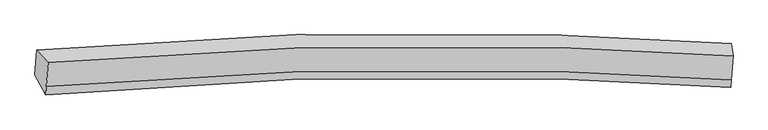
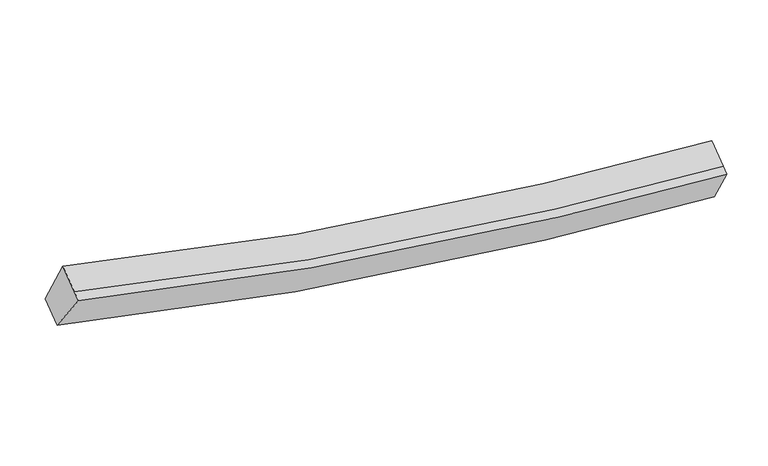
"""IFC4 building model written with IfcOpenShell, lengths in millimetres: proxy geometry."""

from ifc_helpers import new_model, si_unit, frame, origin, place, context, project, spatial, source, transform, mapped, element, save
from ifc_brep_helpers import plane_surface, spline_curve, spline_surface, advanced_brep


def generic_models_cb35257e(model_context):
    return source(origin(), model_context, "Body", "AdvancedBrep", [
        advanced_brep(
        [(-6298.5799001, -1838.1536761, 4025.5636427), (-6111.1481114, -2044.4059799, 4684.3642386), (5221.329868, -1936.7661415, 2957.5659796), (5191.2727827, -1728.3892658, 2273.9253118), (-6140.1426583, -2441.8530381, 4466.675132), (5192.4190728, -2333.0651622, 2740.5056744), (-6150.3590829, -2581.8961958, 4389.9709037), (5183.4797013, -2455.6029253, 2673.3894746), (-6328.3871914, -2246.7415496, 3801.7725054), (5162.8262961, -2118.3237072, 2060.3510044)],
        [
            (0, 1),
            (1, 2, spline_curve(3, [(-6111.1481114, -2044.4059799, 4684.3642386), (-3324.29682091, -1788.205288886, 3833.773912069), (-496.910452125, -1704.381459087, 3297.323423118), (3316.709687737, -1822.134902615, 3001.705710858), (4266.815978386, -1870.078786138, 2962.556780391), (5221.329868, -1936.7661415, 2957.5659796)], [4, 2, 4], [0.0, 28.577512424421094, 38.00096302671717])),
            (2, 3),
            (3, 0, spline_curve(3, [(5191.2727827, -1728.3892658, 2273.9253118), (4230.432166769, -1661.287233065, 2279.001685689), (3272.342195532, -1613.075053107, 2318.724138575), (-580.154726951, -1494.82997212, 2618.622333779), (-3452.015649727, -1579.630288703, 3162.779324958), (-6298.5799001, -1838.1536761, 4025.5636427)], [4, 2, 4], [0.0, 9.423450602296079, 38.00096302671717])),
            (1, 4),
            (4, 5, spline_curve(3, [(-6140.1426583, -2441.8530381, 4466.675132), (-3353.242456199, -2184.981885354, 3616.452029899), (-525.828170458, -2100.775376265, 3080.211140963), (3287.801175444, -2218.402631148, 2784.662544955), (4237.907465779, -2266.346514479, 2745.513614283), (5192.4190728, -2333.0651622, 2740.5056744)], [4, 2, 4], [0.0, 28.38092021096684, 37.73954442163132])),
            (5, 2),
            (4, 6),
            (6, 7, spline_curve(3, [(-6150.3590829, -2581.8961958, 4389.9709037), (-3362.713073515, -2314.801771458, 3545.347275968), (-534.873102042, -2224.760131206, 3012.302397053), (3278.89661244, -2340.463247752, 2717.807687016), (4229.002903104, -2388.407131286, 2678.65875644), (5183.4797013, -2455.6029253, 2673.3894746)], [4, 2, 4], [0.0, 28.380907807816403, 37.73952792853514])),
            (7, 5),
            (6, 8),
            (8, 9, spline_curve(3, [(-6328.3871914, -2246.7415496, 3801.7725054), (-3481.02822103, -1977.324428671, 2944.954886898), (-608.713697528, -1886.306301181, 2404.203506218), (3243.932800453, -2002.501056061, 2105.428312168), (4202.022771683, -2050.713236131, 2065.705859298), (5162.8262961, -2118.3237072, 2060.3510044)], [4, 2, 4], [0.0, 28.577518192814974, 38.00097069724214])),
            (9, 7),
            (8, 0),
            (3, 9),
        ],
        [
            spline_surface(3, 3, [[(-6298.5799001, -1838.1536761, 4025.5636427), (-3452.015649459, -1579.630288779, 3162.779324948), (-580.154726588, -1494.829972003, 2618.622334163), (3272.342195413, -1613.075053146, 2318.724138449), (4230.432166775, -1661.287233163, 2279.00168558), (5191.2727827, -1728.3892658, 2273.9253118)], [(-6236.102637206, -1906.904444026, 4245.163841337), (-3409.442706726, -1649.155288755, 3386.444187212), (-552.406635045, -1564.680467711, 2844.856030358), (3287.131359536, -1682.761669618, 2546.384662621), (4242.560103935, -1730.884417448, 2506.853383811), (5201.291811133, -1797.848224362, 2501.805534407)], [(-6173.625374294, -1975.655211974, 4464.764039963), (-3366.869763976, -1718.680288753, 3610.109049466), (-524.658543579, -1634.530963449, 3071.089726563), (3301.920523584, -1752.448286119, 2774.045186804), (4254.688041095, -1800.481601748, 2734.705082023), (5211.310839567, -1867.307182938, 2729.685756993)], [(-6111.1481114, -2044.4059799, 4684.3642386), (-3324.296821244, -1788.205288729, 3833.77391173), (-496.910452035, -1704.381459157, 3297.323422759), (3316.709687707, -1822.134902591, 3001.705710977), (4266.815978255, -1870.078786033, 2962.556780254), (5221.329868, -1936.7661415, 2957.5659796)]], [4, 4], [4, 2, 4], [0.0, 2.3432708981947536], [0.0, 28.577512424421094, 38.00096302671717]),
            spline_surface(3, 3, [[(-6111.1481114, -2044.4059799, 4684.3642386), (-3324.296821244, -1788.205288729, 3833.77391173), (-496.910452035, -1704.381459157, 3297.323422759), (3316.709687707, -1822.134902591, 3001.705710977), (4266.815978255, -1870.078786033, 2962.556780254), (5221.329868, -1936.7661415, 2957.5659796)], [(-6120.812960346, -2176.888332625, 4611.80120306), (-3333.945366352, -1920.46415419, 3761.333284299), (-506.549691411, -1836.512764904, 3224.952662143), (3307.073516902, -1954.224145452, 2929.357988982), (4257.179807449, -2002.168028893, 2890.20905826), (5211.692936253, -2068.865815083, 2885.212544505)], [(-6130.477809354, -2309.370685375, 4539.23816754), (-3343.593911524, -2052.723019675, 3688.892656889), (-516.188930745, -1968.6440706, 3152.581901512), (3297.437346138, -2086.313388261, 2857.010266972), (4247.543636686, -2134.257271703, 2817.86133635), (5202.056004547, -2200.965488617, 2812.859109495)], [(-6140.1426583, -2441.8530381, 4466.675132), (-3353.242456633, -2184.981885136, 3616.452029458), (-525.828170121, -2100.775376347, 3080.211140896), (3287.801175333, -2218.402631121, 2784.662544977), (4237.90746588, -2266.346514563, 2745.513614355), (5192.4190728, -2333.0651622, 2740.5056744)]], [4, 4], [4, 2, 4], [0.0, 1.486198725451446], [0.0, 28.38092021096684, 37.73954442163132]),
            spline_surface(3, 3, [[(-6140.1426583, -2441.8530381, 4466.675132), (-3353.242456633, -2184.981885136, 3616.452029458), (-525.828170121, -2100.775376347, 3080.211140896), (3287.801175333, -2218.402631121, 2784.662544977), (4237.90746588, -2266.346514563, 2745.513614355), (5192.4190728, -2333.0651622, 2740.5056744)], [(-6143.548133161, -2488.534090677, 4441.107055894), (-3356.399328886, -2228.255180529, 3592.750445005), (-528.843147589, -2142.103627883, 3057.574892948), (3284.83298775, -2259.089503365, 2762.377592333), (4234.939278297, -2307.033386807, 2723.228661711), (5189.439282296, -2373.911083204, 2718.133607807)], [(-6146.953608039, -2535.215143223, 4415.538979806), (-3359.556201156, -2271.528475894, 3569.048860571), (-531.858125045, -2183.431879406, 3034.938644977), (3281.864800178, -2299.776375595, 2740.092639668), (4231.971090725, -2347.720259137, 2700.943709045), (5186.459491804, -2414.757004296, 2695.761541193)], [(-6150.3590829, -2581.8961958, 4389.9709037), (-3362.713073409, -2314.801771287, 3545.347276118), (-534.873102512, -2224.760130942, 3012.302397029), (3278.896612595, -2340.463247839, 2717.807687024), (4229.002903143, -2388.40713138, 2678.658756401), (5183.4797013, -2455.6029253, 2673.3894746)]], [4, 4], [4, 2, 4], [0.0, 0.4703124908842945], [0.0, 28.380907807816403, 37.73952792853514]),
            spline_surface(3, 3, [[(-6150.3590829, -2581.8961958, 4389.9709037), (-3362.713073409, -2314.801771287, 3545.347276118), (-534.873102512, -2224.760130942, 3012.302397029), (3278.896612595, -2340.463247839, 2717.807687024), (4229.002903143, -2388.40713138, 2678.658756401), (5183.4797013, -2455.6029253, 2673.3894746)], [(-6209.70178575, -2470.177980403, 4193.90477095), (-3402.151456098, -2202.30932384, 3345.216479741), (-559.486634012, -2111.942187763, 2809.602766721), (3267.242008516, -2227.809183895, 2513.681228738), (4220.009526027, -2275.842499624, 2474.341124057), (5176.595232911, -2343.176519267, 2469.043317881)], [(-6269.04448855, -2358.459764997, 3997.83863815), (-3441.589838735, -2089.816876384, 3145.085683313), (-584.100165566, -1999.124244567, 2606.903136441), (3255.58740438, -2115.155119936, 2309.554770481), (4211.016148879, -2163.277867866, 2270.023491671), (5169.710764489, -2230.750113233, 2264.697161119)], [(-6328.3871914, -2246.7415496, 3801.7725054), (-3481.028221424, -1977.324428937, 2944.954886936), (-608.713697065, -1886.306301388, 2404.203506133), (3243.932800301, -2002.501055993, 2105.428312196), (4202.022771763, -2050.71323611, 2065.705859327), (5162.8262961, -2118.3237072, 2060.3510044)]], [4, 4], [4, 2, 4], [0.0, 2.2929153890874208], [0.0, 28.577518192814974, 38.00097069724214]),
            spline_surface(3, 3, [[(-6328.3871914, -2246.7415496, 3801.7725054), (-3481.028221424, -1977.324428937, 2944.954886936), (-608.713697065, -1886.306301388, 2404.203506133), (3243.932800301, -2002.501055993, 2105.428312196), (4202.022771763, -2050.71323611, 2065.705859327), (5162.8262961, -2118.3237072, 2060.3510044)], [(-6318.451427637, -2110.54559177, 3876.369551159), (-3471.357364106, -1844.759715554, 3017.563032932), (-599.194040266, -1755.814191576, 2475.67644881), (3253.402598645, -1872.69238836, 2176.526920947), (4211.492570108, -1920.904568478, 2136.804468078), (5172.308458307, -1988.345560083, 2131.5424402)], [(-6308.515663863, -1974.34963393, 3950.966596941), (-3461.686506777, -1712.195002162, 3090.171178951), (-589.674383388, -1625.322081814, 2547.149391486), (3262.872397068, -1742.883720778, 2247.625529697), (4220.962368431, -1791.095900796, 2207.903076828), (5181.790620493, -1858.367412917, 2202.733876)], [(-6298.5799001, -1838.1536761, 4025.5636427), (-3452.015649459, -1579.630288779, 3162.779324948), (-580.154726588, -1494.829972003, 2618.622334163), (3272.342195413, -1613.075053146, 2318.724138449), (4230.432166775, -1661.287233163, 2279.00168558), (5191.2727827, -1728.3892658, 2273.9253118)]], [4, 4], [4, 2, 4], [0.0, 1.473336795642291], [0.0, 28.774090513343374, 38.262362849698775]),
            plane_surface(frame((5189.727162, -2059.7705099, 2491.3079426), z_axis=(0.9975230832372853, -0.041775515998989196, -0.05659067654479867), x_axis=(-0.029504864525614457, 0.48182745442593033, -0.8757692430833325))),
            plane_surface(frame((-6222.1185715, -2177.7993504, 4225.4178226), z_axis=(-0.9650083889774518, -0.06826985811795712, 0.2531758986864618), x_axis=(-0.06385265364967516, -0.8752697358097333, -0.47940142698729465))),
        ],
        [
            (0, [[1, 2, 3, 4]]),
            (1, [[5, 6, 7, -2]]),
            (2, [[8, 9, 10, -6]]),
            (3, [[11, 12, 13, -9]]),
            (4, [[14, -4, 15, -12]]),
            (5, [[-13, -15, -3, -7, -10]]),
            (6, [[-14, -11, -8, -5, -1]]),
        ],
    ),
    ])


if __name__ == "__main__":
    model = new_model("IFC4")
    model_context = context("Model", 3, world=origin())
    ifc_project = project(units=[si_unit("LENGTHUNIT", "METRE", prefix="MILLI")], contexts=[model_context])
    site = spatial("IfcSite", under=ifc_project)
    building = spatial("IfcBuilding", under=site)
    placement = place(None, origin())
    generic_models_shape = generic_models_cb35257e(model_context)
    element("IfcBuildingElementProxy", 1, Name="Generic Models", at=placement, inside=building, context=model_context, shape_type="MappedRepresentation", body=[
        mapped(generic_models_shape, transform((0.0, 0.0, 0.0), x_axis=(1.0, 0.0, 0.0), y_axis=(0.0, 1.0, 0.0), z_axis=(0.0, 0.0, 1.0))),
    ])
    save(model, "model.ifc")
